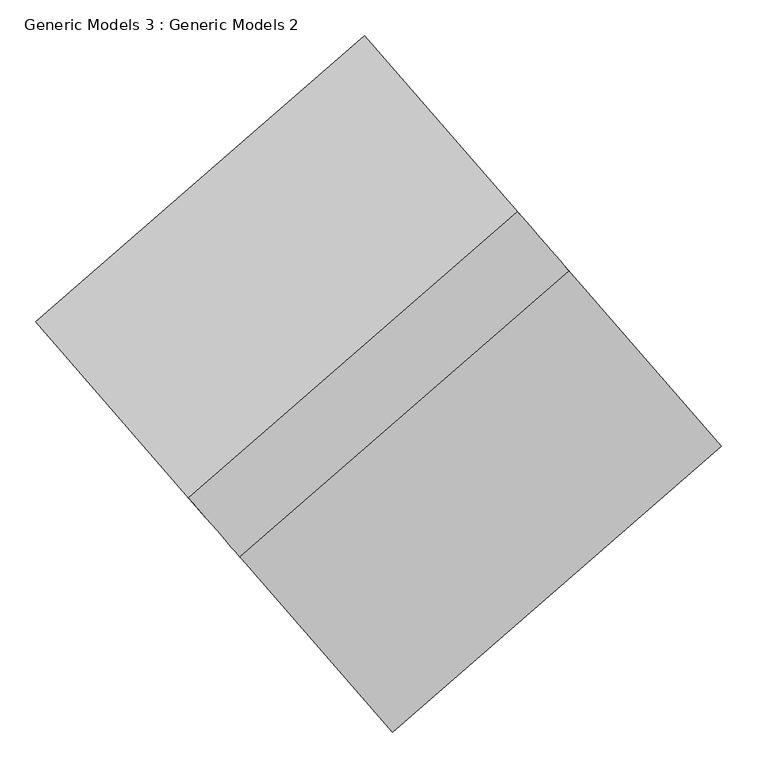
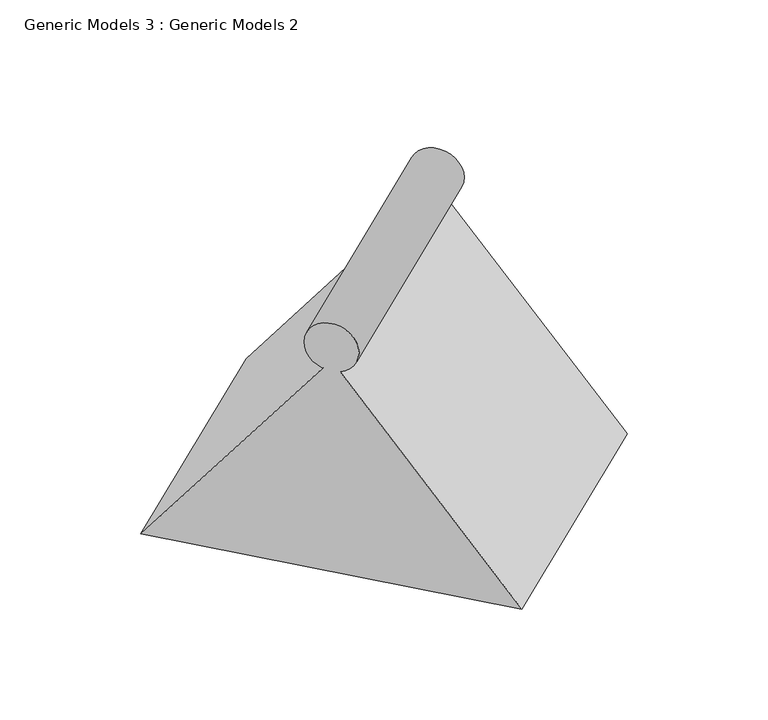
"""IFC4 building model written with IfcOpenShell, lengths in millimetres: proxy geometry, Generic Models 3 : Generic Models 2."""

from ifc_helpers import new_model, si_unit, point, frame, frame_2d, origin, place, context, project, spatial, polyline, circle_curve, trimmed, segment, composite_curve, outline, extrude, source, transform, mapped, element, save


def generic_models_3_generic_models_2_2b9fc0ac(model_context):
    return source(origin(), model_context, "Body", "SweptSolid", [
        extrude(outline(composite_curve([segment(polyline([(0.0, 0.0), (-470.0084247, -601.5833502), (-613.1349104, -27.5343704)]), True, "CONTINUOUS"), segment(trimmed(circle_curve(frame_2d((-643.7389848, 18.1645424)), 55.0), [point((-613.1349104, -27.5343704))], [point((-591.8251196, 0.0))], False, "CARTESIAN"), True, "CONTINUOUS"), segment(polyline([(-591.8251196, 0.0), (0.0, 0.0)]), True, "CONTINUOUS")], self_intersect=False)), frame((20075.7341078, 24622.8123195, 2000.0), z_axis=(0.7547095802227797, 0.6560590289904986, 0.0), x_axis=(-0.4039102696890092, 0.4646456136023648, -0.7880107536067219)), (0.0, 0.0, 1.0), 611.8689016),
    ])


if __name__ == "__main__":
    model = new_model("IFC4")
    model_context = context("Model", 3, world=origin())
    ifc_project = project(units=[si_unit("LENGTHUNIT", "METRE", prefix="MILLI")], contexts=[model_context])
    site = spatial("IfcSite", under=ifc_project)
    building = spatial("IfcBuilding", under=site)
    placement = place(None, origin())
    generic_models_3_generic_models_2_shape = generic_models_3_generic_models_2_2b9fc0ac(model_context)
    element("IfcBuildingElementProxy", 1, Name="Generic Models 3 : Generic Models 2", ObjectType="Generic Models 3 : Generic Models 2", at=placement, inside=building, context=model_context, shape_type="MappedRepresentation", body=[
        mapped(generic_models_3_generic_models_2_shape, transform((0.0, 0.0, 0.0), x_axis=(1.0, 0.0, 0.0), y_axis=(0.0, 1.0, 0.0), z_axis=(0.0, 0.0, 1.0))),
    ])
    save(model, "model.ifc")
